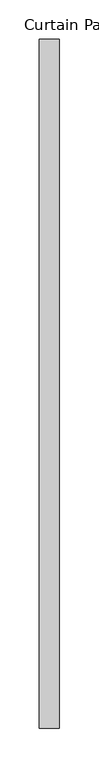
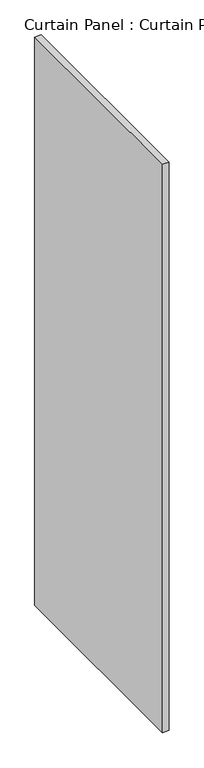
"""IFC4 building model written with IfcOpenShell, lengths in millimetres: plate geometry, Curtain Panel : Curtain Panel."""

from ifc_helpers import new_model, si_unit, frame, origin, place, context, project, spatial, polyline, outline, extrude, source, transform, mapped, element, save


def curtain_panel_curtain_panel_422dea0d(model_context):
    return source(origin(), model_context, "Body", "SweptSolid", [
        extrude(outline(polyline([(-173914.1972439, 5771.5552048), (-173914.1972439, 4896.4871048), (-173939.5972439, 4896.4871048), (-173939.5972439, 5771.5552048), (-173914.1972439, 5771.5552048)])), frame((0.0, 0.0, 46.0375), z_axis=(0.0, 0.0, 1.0), x_axis=(1.0, 0.0, 0.0)), (0.0, 0.0, 1.0), 2374.9),
    ])


if __name__ == "__main__":
    model = new_model("IFC4")
    model_context = context("Model", 3, world=origin())
    ifc_project = project(units=[si_unit("LENGTHUNIT", "METRE", prefix="MILLI")], contexts=[model_context])
    site = spatial("IfcSite", under=ifc_project)
    building = spatial("IfcBuilding", under=site)
    placement = place(None, origin())
    curtain_panel_curtain_panel_shape = curtain_panel_curtain_panel_422dea0d(model_context)
    element("IfcPlate", 1, ObjectType="Curtain Panel : Curtain Panel", at=placement, inside=building, context=model_context, shape_type="MappedRepresentation", body=[
        mapped(curtain_panel_curtain_panel_shape, transform((0.0, 0.0, 0.0), x_axis=(1.0, 0.0, 0.0), y_axis=(0.0, 1.0, 0.0), z_axis=(0.0, 0.0, 1.0))),
    ])
    save(model, "model.ifc")
